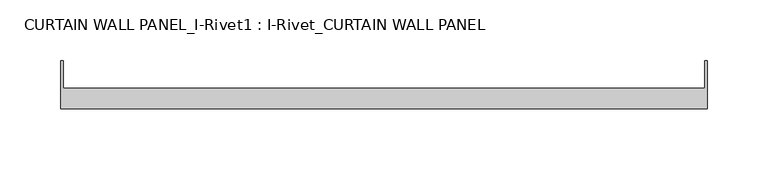
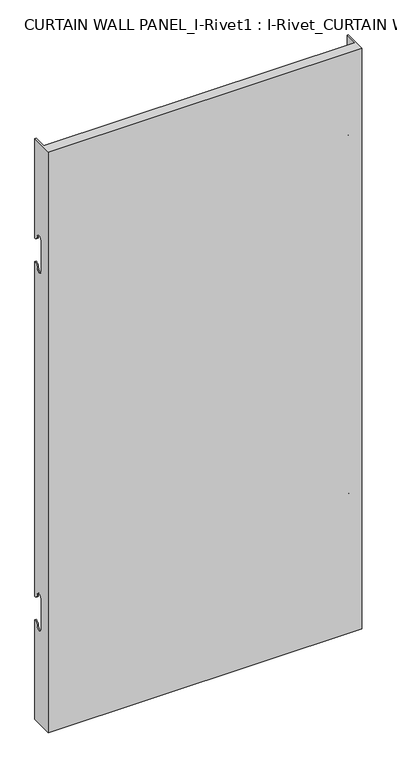
"""IFC4 building model written with IfcOpenShell, lengths in millimetres: plate geometry, CURTAIN WALL PANEL_I-Rivet1 : I-Rivet_CURTAIN WALL PANEL."""

from ifc_helpers import new_model, si_unit, frame, origin, place, context, project, spatial, polyline, circle_curve, source, transform, mapped, element, save
from ifc_brep_helpers import plane_surface, cylinder_surface, revolved_surface, advanced_brep


def curtain_wall_panel_i_rivet1_i_rivet_curtain_wall_panel_cc1a72d5(model_context):
    return source(origin(), model_context, "Body", "AdvancedBrep", [
        advanced_brep(
        [(-266.612674, -85.0, 1045.0), (266.612674, -85.0, 1045.0), (266.612674, -45.3384103, 1045.0), (264.612674, -45.3384103, 1045.0), (264.612674, -68.0, 1045.0), (-264.612674, -68.0, 1045.0), (-264.612674, -45.3384103, 1045.0), (-266.612674, -45.3384103, 1045.0), (-266.612674, -85.0, 0.0), (-266.612674, -45.3384103, 0.0), (-264.612674, -45.3384103, 0.0), (-264.612674, -68.0, 0.0), (264.612674, -68.0, 0.0), (264.612674, -45.3384103, 0.0), (266.612674, -45.3384103, 0.0), (266.612674, -85.0, 0.0), (-266.612674, -45.3384103, 866.0), (-266.612674, -52.3384103, 873.0), (-266.612674, -63.3384103, 873.0), (-266.612674, -63.3384103, 817.0), (-266.612674, -52.3384103, 817.0), (-266.612674, -45.3384103, 824.0), (-266.612674, -45.3384103, 221.0), (-266.612674, -52.3384103, 228.0), (-266.612674, -63.3384103, 228.0), (-266.612674, -63.3384103, 172.0), (-266.612674, -52.3384103, 172.0), (-266.612674, -45.3384103, 179.0), (-264.612674, -45.3384103, 179.0), (-264.612674, -45.3384103, 824.0), (-264.612674, -45.3384103, 221.0), (-264.612674, -45.3384103, 866.0), (266.612674, -45.3384103, 866.0), (264.612674, -45.3384103, 866.0), (264.612674, -45.3384103, 179.0), (266.612674, -45.3384103, 179.0), (264.612674, -45.3384103, 221.0), (264.612674, -45.3384103, 824.0), (266.612674, -45.3384103, 824.0), (266.612674, -45.3384103, 221.0), (266.612674, -52.3384103, 172.0), (266.612674, -63.3384103, 172.0), (266.612674, -63.3384103, 228.0), (266.612674, -52.3384103, 228.0), (266.612674, -52.3384103, 817.0), (266.612674, -63.3384103, 817.0), (266.612674, -63.3384103, 873.0), (266.612674, -52.3384103, 873.0), (-264.612674, -52.3384103, 172.0), (-264.612674, -63.3384103, 172.0), (-264.612674, -63.3384103, 228.0), (-264.612674, -52.3384103, 228.0), (-264.612674, -52.3384103, 817.0), (-264.612674, -63.3384103, 817.0), (-264.612674, -63.3384103, 873.0), (-264.612674, -52.3384103, 873.0), (264.612674, -52.3384103, 873.0), (264.612674, -63.3384103, 873.0), (264.612674, -63.3384103, 817.0), (264.612674, -52.3384103, 817.0), (264.612674, -52.3384103, 228.0), (264.612674, -63.3384103, 228.0), (264.612674, -63.3384103, 172.0), (264.612674, -52.3384103, 172.0)],
        [
            (0, 1),
            (1, 2),
            (2, 3),
            (3, 4),
            (4, 5),
            (5, 6),
            (6, 7),
            (7, 0),
            (8, 9),
            (9, 10),
            (10, 11),
            (11, 12),
            (12, 13),
            (13, 14),
            (14, 15),
            (15, 8),
            (7, 16),
            (16, 17, circle_curve(frame((-266.612674, -45.3384103, 873.0), z_axis=(-1.0, 0.0, 0.0), x_axis=(0.0, -1.0, 0.0)), 7.0)),
            (17, 18, circle_curve(frame((-266.612674, -57.8384103, 873.0), z_axis=(1.0, 0.0, 0.0), x_axis=(0.0, -1.0, 0.0)), 5.5)),
            (18, 19),
            (19, 20, circle_curve(frame((-266.612674, -57.8384103, 817.0), z_axis=(1.0, 0.0, 0.0), x_axis=(0.0, -1.0, 0.0)), 5.5)),
            (20, 21, circle_curve(frame((-266.612674, -45.3384103, 817.0), z_axis=(-1.0, 0.0, 0.0), x_axis=(0.0, -1.0, 0.0)), 7.0)),
            (21, 22),
            (22, 23, circle_curve(frame((-266.612674, -45.3384103, 228.0), z_axis=(-1.0, 0.0, 0.0), x_axis=(0.0, -1.0, 0.0)), 7.0)),
            (23, 24, circle_curve(frame((-266.612674, -57.8384103, 228.0), z_axis=(1.0, 0.0, 0.0), x_axis=(0.0, -1.0, 0.0)), 5.5)),
            (24, 25),
            (25, 26, circle_curve(frame((-266.612674, -57.8384103, 172.0), z_axis=(1.0, 0.0, 0.0), x_axis=(0.0, -1.0, 0.0)), 5.5)),
            (26, 27, circle_curve(frame((-266.612674, -45.3384103, 172.0), z_axis=(-1.0, 0.0, 0.0), x_axis=(0.0, -1.0, 0.0)), 7.0)),
            (27, 9),
            (8, 0),
            (27, 28),
            (28, 10),
            (21, 29),
            (29, 30),
            (30, 22),
            (6, 31),
            (31, 16),
            (2, 32),
            (32, 33),
            (33, 3),
            (13, 34),
            (34, 35),
            (35, 14),
            (36, 37),
            (37, 38),
            (38, 39),
            (39, 36),
            (1, 15),
            (35, 40, circle_curve(frame((266.612674, -45.3384103, 172.0), z_axis=(1.0, 0.0, 0.0), x_axis=(0.0, -1.0, 0.0)), 7.0)),
            (40, 41, circle_curve(frame((266.612674, -57.8384103, 172.0), z_axis=(-1.0, 0.0, 0.0), x_axis=(0.0, -1.0, 0.0)), 5.5)),
            (41, 42),
            (42, 43, circle_curve(frame((266.612674, -57.8384103, 228.0), z_axis=(-1.0, 0.0, 0.0), x_axis=(0.0, -1.0, 0.0)), 5.5)),
            (43, 39, circle_curve(frame((266.612674, -45.3384103, 228.0), z_axis=(1.0, 0.0, 0.0), x_axis=(0.0, -1.0, 0.0)), 7.0)),
            (38, 44, circle_curve(frame((266.612674, -45.3384103, 817.0), z_axis=(1.0, 0.0, 0.0), x_axis=(0.0, -1.0, 0.0)), 7.0)),
            (44, 45, circle_curve(frame((266.612674, -57.8384103, 817.0), z_axis=(-1.0, 0.0, 0.0), x_axis=(0.0, -1.0, 0.0)), 5.5)),
            (45, 46),
            (46, 47, circle_curve(frame((266.612674, -57.8384103, 873.0), z_axis=(-1.0, 0.0, 0.0), x_axis=(0.0, -1.0, 0.0)), 5.5)),
            (47, 32, circle_curve(frame((266.612674, -45.3384103, 873.0), z_axis=(1.0, 0.0, 0.0), x_axis=(0.0, -1.0, 0.0)), 7.0)),
            (5, 11),
            (28, 48, circle_curve(frame((-264.612674, -45.3384103, 172.0), z_axis=(1.0, 0.0, 0.0), x_axis=(0.0, -1.0, 0.0)), 7.0)),
            (48, 49, circle_curve(frame((-264.612674, -57.8384103, 172.0), z_axis=(-1.0, 0.0, 0.0), x_axis=(0.0, -1.0, 0.0)), 5.5)),
            (49, 50),
            (50, 51, circle_curve(frame((-264.612674, -57.8384103, 228.0), z_axis=(-1.0, 0.0, 0.0), x_axis=(0.0, -1.0, 0.0)), 5.5)),
            (51, 30, circle_curve(frame((-264.612674, -45.3384103, 228.0), z_axis=(1.0, 0.0, 0.0), x_axis=(0.0, -1.0, 0.0)), 7.0)),
            (29, 52, circle_curve(frame((-264.612674, -45.3384103, 817.0), z_axis=(1.0, 0.0, 0.0), x_axis=(0.0, -1.0, 0.0)), 7.0)),
            (52, 53, circle_curve(frame((-264.612674, -57.8384103, 817.0), z_axis=(-1.0, 0.0, 0.0), x_axis=(0.0, -1.0, 0.0)), 5.5)),
            (53, 54),
            (54, 55, circle_curve(frame((-264.612674, -57.8384103, 873.0), z_axis=(-1.0, 0.0, 0.0), x_axis=(0.0, -1.0, 0.0)), 5.5)),
            (55, 31, circle_curve(frame((-264.612674, -45.3384103, 873.0), z_axis=(1.0, 0.0, 0.0), x_axis=(0.0, -1.0, 0.0)), 7.0)),
            (33, 56, circle_curve(frame((264.612674, -45.3384103, 873.0), z_axis=(-1.0, 0.0, 0.0), x_axis=(0.0, -1.0, 0.0)), 7.0)),
            (56, 57, circle_curve(frame((264.612674, -57.8384103, 873.0), z_axis=(1.0, 0.0, 0.0), x_axis=(0.0, -1.0, 0.0)), 5.5)),
            (57, 58),
            (58, 59, circle_curve(frame((264.612674, -57.8384103, 817.0), z_axis=(1.0, 0.0, 0.0), x_axis=(0.0, -1.0, 0.0)), 5.5)),
            (59, 37, circle_curve(frame((264.612674, -45.3384103, 817.0), z_axis=(-1.0, 0.0, 0.0), x_axis=(0.0, -1.0, 0.0)), 7.0)),
            (36, 60, circle_curve(frame((264.612674, -45.3384103, 228.0), z_axis=(-1.0, 0.0, 0.0), x_axis=(0.0, -1.0, 0.0)), 7.0)),
            (60, 61, circle_curve(frame((264.612674, -57.8384103, 228.0), z_axis=(1.0, 0.0, 0.0), x_axis=(0.0, -1.0, 0.0)), 5.5)),
            (61, 62),
            (62, 63, circle_curve(frame((264.612674, -57.8384103, 172.0), z_axis=(1.0, 0.0, 0.0), x_axis=(0.0, -1.0, 0.0)), 5.5)),
            (63, 34, circle_curve(frame((264.612674, -45.3384103, 172.0), z_axis=(-1.0, 0.0, 0.0), x_axis=(0.0, -1.0, 0.0)), 7.0)),
            (12, 4),
            (41, 62),
            (61, 42),
            (49, 25),
            (24, 50),
            (40, 63),
            (48, 26),
            (51, 23),
            (43, 60),
            (18, 54),
            (53, 19),
            (57, 46),
            (45, 58),
            (17, 55),
            (56, 47),
            (59, 44),
            (20, 52),
        ],
        [
            plane_surface(frame((-266.612674, -45.3384103, 1045.0), z_axis=(0.0, 0.0, 1.0), x_axis=(0.0, 1.0, 0.0))),
            plane_surface(frame((-266.612674, -45.3384103, 0.0), z_axis=(0.0, 0.0, -1.0), x_axis=(0.0, -1.0, 0.0))),
            plane_surface(frame((-266.612674, -85.0, 1045.0), z_axis=(-1.0, 0.0, 0.0), x_axis=(0.0, 0.0, -1.0))),
            plane_surface(frame((-266.612674, -45.3384103, 1045.0), z_axis=(0.0, 1.0, 0.0), x_axis=(0.0, 0.0, -1.0))),
            plane_surface(frame((264.612674, -45.3384103, 1045.0), z_axis=(0.0, 1.0, 0.0), x_axis=(0.0, 0.0, -1.0))),
            plane_surface(frame((266.612674, -45.3384103, 1045.0), z_axis=(1.0, 0.0, 0.0), x_axis=(0.0, 0.0, -1.0))),
            plane_surface(frame((266.612674, -85.0, 1045.0), z_axis=(0.0, -1.0, 0.0), x_axis=(0.0, 0.0, -1.0))),
            plane_surface(frame((-264.612674, -45.3384103, 1045.0), z_axis=(1.0, 0.0, 0.0), x_axis=(0.0, 0.0, -1.0))),
            plane_surface(frame((264.612674, -68.0, 1045.0), z_axis=(-1.0, 0.0, 0.0), x_axis=(0.0, 0.0, -1.0))),
            plane_surface(frame((-265.612674, -68.0, 1045.0), z_axis=(0.0, 1.0, 0.0), x_axis=(0.0, 0.0, -1.0))),
            plane_surface(frame((-266.612674, -63.3384103, 228.0), z_axis=(0.0, 1.0, 0.0), x_axis=(1.0, 0.0, 0.0))),
            revolved_surface(polyline([(264.612674, -63.3384103, 172.0), (266.612674, -63.3384103, 172.0)]), (-266.612674, -57.8384103, 172.0), (-1.0, 0.0, 0.0)),
            revolved_surface(polyline([(-266.612674, -63.3384103, 172.0), (-264.612674, -63.3384103, 172.0)]), (-266.612674, -57.8384103, 172.0), (-1.0, 0.0, 0.0)),
            cylinder_surface(frame((-266.612674, -45.3384103, 172.0), z_axis=(1.0, 0.0, 0.0), x_axis=(0.0, -1.0, 0.0)), 7.0),
            cylinder_surface(frame((-266.612674, -45.3384103, 228.0), z_axis=(1.0, 0.0, 0.0), x_axis=(0.0, -1.0, 0.0)), 7.0),
            revolved_surface(polyline([(-266.612674, -63.3384103, 228.0), (-264.612674, -63.3384103, 228.0)]), (-266.612674, -57.8384103, 228.0), (-1.0, 0.0, 0.0)),
            revolved_surface(polyline([(264.612674, -63.3384103, 228.0), (266.612674, -63.3384103, 228.0)]), (-266.612674, -57.8384103, 228.0), (-1.0, 0.0, 0.0)),
            plane_surface(frame((266.612674, -63.3384103, 817.0), z_axis=(0.0, 1.0, 0.0), x_axis=(-1.0, 0.0, 0.0))),
            revolved_surface(polyline([(-264.612674, -63.3384103, 873.0), (-266.612674, -63.3384103, 873.0)]), (266.612674, -57.8384103, 873.0), (1.0, 0.0, 0.0)),
            revolved_surface(polyline([(266.612674, -63.3384103, 873.0), (264.612674, -63.3384103, 873.0)]), (266.612674, -57.8384103, 873.0), (1.0, 0.0, 0.0)),
            cylinder_surface(frame((266.612674, -45.3384103, 873.0), z_axis=(-1.0, 0.0, 0.0), x_axis=(0.0, -1.0, 0.0)), 7.0),
            cylinder_surface(frame((266.612674, -45.3384103, 817.0), z_axis=(-1.0, 0.0, 0.0), x_axis=(0.0, -1.0, 0.0)), 7.0),
            revolved_surface(polyline([(266.612674, -63.3384103, 817.0), (264.612674, -63.3384103, 817.0)]), (266.612674, -57.8384103, 817.0), (1.0, 0.0, 0.0)),
            revolved_surface(polyline([(-264.612674, -63.3384103, 817.0), (-266.612674, -63.3384103, 817.0)]), (266.612674, -57.8384103, 817.0), (1.0, 0.0, 0.0)),
        ],
        [
            (0, [[1, 2, 3, 4, 5, 6, 7, 8]]),
            (1, [[9, 10, 11, 12, 13, 14, 15, 16]]),
            (2, [[17, 18, 19, 20, 21, 22, 23, 24, 25, 26, 27, 28, 29, -9, 30, -8]]),
            (3, [[-29, 31, 32, -10]]),
            (3, [[-23, 33, 34, 35]]),
            (3, [[36, 37, -17, -7]]),
            (4, [[38, 39, 40, -3]]),
            (4, [[41, 42, 43, -14]]),
            (4, [[44, 45, 46, 47]]),
            (5, [[48, -15, -43, 49, 50, 51, 52, 53, -46, 54, 55, 56, 57, 58, -38, -2]]),
            (6, [[-30, -16, -48, -1]]),
            (7, [[59, -11, -32, 60, 61, 62, 63, 64, -34, 65, 66, 67, 68, 69, -36, -6]]),
            (8, [[-40, 70, 71, 72, 73, 74, -44, 75, 76, 77, 78, 79, -41, -13, 80, -4]]),
            (9, [[-80, -12, -59, -5]]),
            (10, [[-51, 81, -77, 82]]),
            (10, [[-62, 83, -26, 84]]),
            (11, [[-50, 85, -78, -81]]),
            (12, [[-61, 86, -27, -83]]),
            (13, [[-49, -42, -79, -85]]),
            (13, [[-60, -31, -28, -86]]),
            (14, [[-24, -35, -64, 87]]),
            (14, [[-75, -47, -53, 88]]),
            (15, [[-25, -87, -63, -84]]),
            (16, [[-76, -88, -52, -82]]),
            (17, [[-20, 89, -67, 90]]),
            (17, [[-72, 91, -56, 92]]),
            (18, [[-19, 93, -68, -89]]),
            (19, [[-71, 94, -57, -91]]),
            (20, [[-18, -37, -69, -93]]),
            (20, [[-70, -39, -58, -94]]),
            (21, [[-54, -45, -74, 95]]),
            (21, [[-65, -33, -22, 96]]),
            (22, [[-55, -95, -73, -92]]),
            (23, [[-66, -96, -21, -90]]),
        ],
    ),
    ])


if __name__ == "__main__":
    model = new_model("IFC4")
    model_context = context("Model", 3, world=origin())
    ifc_project = project(units=[si_unit("LENGTHUNIT", "METRE", prefix="MILLI")], contexts=[model_context])
    site = spatial("IfcSite", under=ifc_project)
    building = spatial("IfcBuilding", under=site)
    placement = place(None, origin())
    curtain_wall_panel_i_rivet1_i_rivet_curtain_wall_panel_shape = curtain_wall_panel_i_rivet1_i_rivet_curtain_wall_panel_cc1a72d5(model_context)
    element("IfcPlate", 1, ObjectType="CURTAIN WALL PANEL_I-Rivet1 : I-Rivet_CURTAIN WALL PANEL", at=placement, inside=building, context=model_context, shape_type="MappedRepresentation", body=[
        mapped(curtain_wall_panel_i_rivet1_i_rivet_curtain_wall_panel_shape, transform((0.0, 0.0, 0.0), x_axis=(1.0, 0.0, 0.0), y_axis=(0.0, 1.0, 0.0), z_axis=(0.0, 0.0, 1.0))),
    ])
    save(model, "model.ifc")
